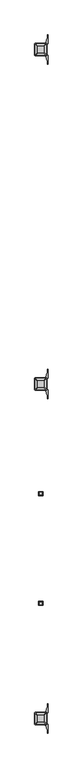
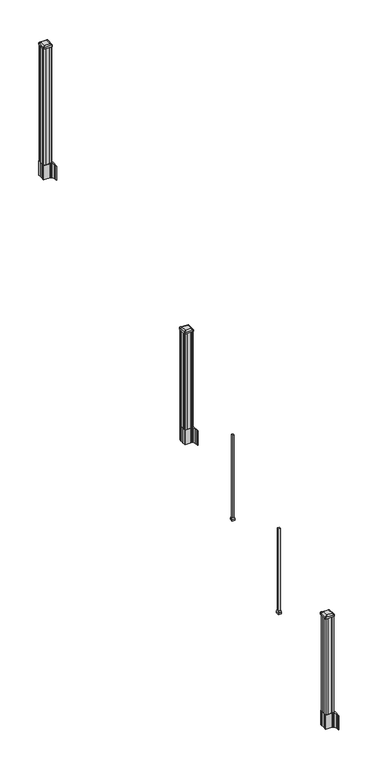
"""IFC4 building model written with IfcOpenShell, lengths in millimetres: railing geometry."""

from ifc_helpers import new_model, si_unit, point, frame, frame_2d, origin, place, context, project, spatial, polyline, circle_curve, trimmed, segment, composite_curve, outline, extrude, faceted_brep, source, transform, mapped, element, save
from ifc_brep_helpers import plane_surface, extruded_surface, advanced_brep


def railing_96fefc47(model_context):
    return source(origin(), model_context, "Body", "SolidModel", [
        extrude(outline(composite_curve([segment(polyline([(7269.3302728, -100734.6489401), (7269.3302728, -100699.8767504), (7267.7427728, -100699.1147504), (7267.7427728, -100676.3128224), (7271.1157498, -100672.9398453), (7332.5754206, -100672.9398453), (7332.5754206, -100672.0190953), (7337.8929645, -100672.0190953), (7337.8929645, -100670.5648406), (7342.9774942, -100670.5648406), (7342.9774942, -100669.2808168), (7344.6447665, -100669.2808168)]), True, "CONTINUOUS"), segment(trimmed(circle_curve(frame_2d((7344.6447665, -100662.2213569)), 7.0594599), [point((7344.6447665, -100669.2808168))], [point((7351.4120293, -100664.2313636))], True, "CARTESIAN"), True, "CONTINUOUS"), segment(polyline([(7351.4120293, -100664.2313636), (7359.2862236, -100637.7206345)]), True, "CONTINUOUS"), segment(trimmed(circle_curve(frame_2d((7304.5017103, -100621.4485848)), 57.15), [point((7359.2862236, -100637.7206345))], [point((7361.6517103, -100621.4485848))], True, "CARTESIAN"), True, "CONTINUOUS"), segment(polyline([(7361.6517103, -100621.4485848), (7361.6517103, -100609.4398453), (7364.6517103, -100609.4398453), (7364.6517103, -100674.5273453), (7356.3887728, -100685.8656366), (7356.3887728, -100699.1147504), (7354.8012728, -100699.8767504), (7354.8012728, -100734.6489401), (7356.3887728, -100735.4109401), (7356.3887728, -100748.660054), (7364.6517103, -100759.9983453), (7364.6517103, -100825.0858453), (7361.6517103, -100825.0858453), (7361.6517103, -100813.0771057)]), True, "CONTINUOUS"), segment(trimmed(circle_curve(frame_2d((7304.5017103, -100813.0771057)), 57.15), [point((7361.6517103, -100813.0771057))], [point((7359.2862236, -100796.8050561))], True, "CARTESIAN"), True, "CONTINUOUS"), segment(polyline([(7359.2862236, -100796.8050561), (7351.4120293, -100770.294327)]), True, "CONTINUOUS"), segment(trimmed(circle_curve(frame_2d((7344.6447665, -100772.3043337)), 7.0594599), [point((7351.4120293, -100770.294327))], [point((7344.6447665, -100765.2448738))], True, "CARTESIAN"), True, "CONTINUOUS"), segment(polyline([(7344.6447665, -100765.2448738), (7342.9774942, -100765.2448738), (7342.9774942, -100763.96085), (7337.8929645, -100763.96085), (7337.8929645, -100762.5065953), (7332.5754206, -100762.5065953), (7332.5754206, -100761.5858453), (7271.1157498, -100761.5858453), (7267.7427728, -100758.2128682), (7267.7427728, -100735.4109401), (7269.3302728, -100734.6489401)]), True, "CONTINUOUS")], self_intersect=False), holes=[polyline([(7353.3407728, -100677.5753453), (7351.7532728, -100675.9878453), (7314.8289902, -100675.9878453), (7272.3782728, -100675.9878453), (7270.7907728, -100677.5753453), (7270.7907728, -100756.9503453), (7272.3782728, -100758.5378453), (7314.8289902, -100758.5378453), (7351.7532728, -100758.5378453), (7353.3407728, -100756.9503453), (7353.3407728, -100677.5753453)])]), frame((0.0, 0.0, 1562.1), z_axis=(0.0, 0.0, 1.0), x_axis=(1.0, 0.0, 0.0)), (0.0, 0.0, 1.0), 152.4),
        advanced_brep(
        [(7337.8626478, -100746.2347203, 2774.439263), (7341.0376478, -100743.0597203, 2774.439263), (7341.0376478, -100691.4659703, 2774.439263), (7337.8626478, -100688.2909703, 2774.439263), (7286.2688978, -100688.2909703, 2774.439263), (7283.0938978, -100691.4659703, 2774.439263), (7283.0938978, -100743.0597203, 2774.439263), (7286.2688978, -100746.2347203, 2774.439263), (7354.1345228, -100762.5065953, 2763.136263), (7269.9970228, -100762.5065953, 2763.136263), (7266.8220228, -100759.3315953, 2763.136263), (7266.8220228, -100675.1940953, 2763.136263), (7269.9970228, -100672.0190953, 2763.136263), (7354.1345228, -100672.0190953, 2763.136263), (7357.3095228, -100675.1940953, 2763.136263), (7357.3095228, -100759.3315953, 2763.136263)],
        [
            (0, 1, circle_curve(frame((7337.8626478, -100743.0597203, 2774.439263), z_axis=(0.0, 0.0, 1.0), x_axis=(0.0, 1.0, 0.0)), 3.175)),
            (1, 2),
            (2, 3, circle_curve(frame((7337.8626478, -100691.4659703, 2774.439263), z_axis=(0.0, 0.0, 1.0), x_axis=(0.0, 1.0, 0.0)), 3.175)),
            (3, 4),
            (4, 5, circle_curve(frame((7286.2688978, -100691.4659703, 2774.439263), z_axis=(0.0, 0.0, 1.0), x_axis=(0.0, 1.0, 0.0)), 3.175)),
            (5, 6),
            (6, 7, circle_curve(frame((7286.2688978, -100743.0597203, 2774.439263), z_axis=(0.0, 0.0, 1.0), x_axis=(0.0, 1.0, 0.0)), 3.175)),
            (7, 0),
            (8, 9),
            (9, 10, circle_curve(frame((7269.9970228, -100759.3315953, 2763.136263), z_axis=(0.0, 0.0, -1.0), x_axis=(0.0, 1.0, 0.0)), 3.175)),
            (10, 11),
            (11, 12, circle_curve(frame((7269.9970228, -100675.1940953, 2763.136263), z_axis=(0.0, 0.0, -1.0), x_axis=(0.0, 1.0, 0.0)), 3.175)),
            (12, 13),
            (13, 14, circle_curve(frame((7354.1345228, -100675.1940953, 2763.136263), z_axis=(0.0, 0.0, -1.0), x_axis=(0.0, 1.0, 0.0)), 3.175)),
            (14, 15),
            (15, 8, circle_curve(frame((7354.1345228, -100759.3315953, 2763.136263), z_axis=(0.0, 0.0, -1.0), x_axis=(0.0, 1.0, 0.0)), 3.175)),
            (15, 1),
            (0, 8),
            (14, 2),
            (13, 3),
            (12, 4),
            (11, 5),
            (10, 6),
            (9, 7),
        ],
        [
            plane_surface(frame((7312.0657728, -100717.2628453, 2774.439263), z_axis=(0.0, 0.0, 1.0), x_axis=(1.0, 0.0, 0.0))),
            plane_surface(frame((7312.0657728, -100717.2628453, 2763.136263), z_axis=(0.0, 0.0, -1.0), x_axis=(1.0, 0.0, 0.0))),
            extruded_surface(trimmed(circle_curve(frame((7354.1345228, -100759.3315953, 2763.136263), z_axis=(0.0, 0.0, 1.0), x_axis=(0.0, 1.0, 0.0)), 3.175), [point((7354.1345228, -100762.5065953, 2763.136263))], [point((7357.3095228, -100759.3315953, 2763.136263))], True, "CARTESIAN"), (-16.271875000000364, 16.27187499999127, 11.303000000000338), 25.637972638861),
            plane_surface(frame((7357.3095228, -100717.2628453, 2763.136263), z_axis=(0.5705009161540778, 0.0, 0.8212969649690408), x_axis=(0.0, 1.0, 0.0))),
            extruded_surface(trimmed(circle_curve(frame((7354.1345228, -100675.1940953, 2763.136263), z_axis=(0.0, 0.0, 1.0), x_axis=(0.0, 1.0, 0.0)), 3.175), [point((7357.3095228, -100675.1940953, 2763.136263))], [point((7354.1345228, -100672.0190953, 2763.136263))], True, "CARTESIAN"), (-16.271875000000364, -16.27187500000582, 11.303000000000338), 25.637972638870238),
            plane_surface(frame((7312.0657728, -100672.0190953, 2763.136263), z_axis=(0.0, 0.5705009161540291, 0.8212969649690747), x_axis=(-1.0, 0.0, 0.0))),
            extruded_surface(trimmed(circle_curve(frame((7269.9970228, -100675.1940953, 2763.136263), z_axis=(0.0, 0.0, 1.0), x_axis=(0.0, 1.0, 0.0)), 3.175), [point((7269.9970228, -100672.0190953, 2763.136263))], [point((7266.8220228, -100675.1940953, 2763.136263))], True, "CARTESIAN"), (16.271874999999454, -16.27187500000582, 11.303000000000338), 25.63797263886966),
            plane_surface(frame((7266.8220228, -100717.2628453, 2763.136263), z_axis=(-0.5705009161540142, 0.0, 0.8212969649690851), x_axis=(0.0, -1.0, 0.0))),
            extruded_surface(trimmed(circle_curve(frame((7269.9970228, -100759.3315953, 2763.136263), z_axis=(0.0, 0.0, 1.0), x_axis=(0.0, 1.0, 0.0)), 3.175), [point((7266.8220228, -100759.3315953, 2763.136263))], [point((7269.9970228, -100762.5065953, 2763.136263))], True, "CARTESIAN"), (16.271874999999454, 16.27187499999127, 11.303000000000338), 25.637972638860422),
            plane_surface(frame((7312.0657728, -100762.5065953, 2763.136263), z_axis=(0.0, -0.570500916154034, 0.8212969649690713), x_axis=(1.0, 0.0, 0.0))),
        ],
        [
            (0, [[1, 2, 3, 4, 5, 6, 7, 8]]),
            (1, [[9, 10, 11, 12, 13, 14, 15, 16]]),
            (2, [[-16, 17, -1, 18]]),
            (3, [[-15, 19, -2, -17]]),
            (4, [[-14, 20, -3, -19]]),
            (5, [[-13, 21, -4, -20]]),
            (6, [[-12, 22, -5, -21]]),
            (7, [[-11, 23, -6, -22]]),
            (8, [[-10, 24, -7, -23]]),
            (9, [[-9, -18, -8, -24]]),
        ],
    ),
        extrude(outline(composite_curve([segment(polyline([(7354.1345228, -100762.5065953), (7269.9970228, -100762.5065953)]), True, "CONTINUOUS"), segment(trimmed(circle_curve(frame_2d((7269.9970228, -100759.3315953)), 3.175), [point((7269.9970228, -100762.5065953))], [point((7266.8220228, -100759.3315953))], False, "CARTESIAN"), True, "CONTINUOUS"), segment(polyline([(7266.8220228, -100759.3315953), (7266.8220228, -100675.1940953)]), True, "CONTINUOUS"), segment(trimmed(circle_curve(frame_2d((7269.9970228, -100675.1940953)), 3.175), [point((7266.8220228, -100675.1940953))], [point((7269.9970228, -100672.0190953))], False, "CARTESIAN"), True, "CONTINUOUS"), segment(polyline([(7269.9970228, -100672.0190953), (7354.1345228, -100672.0190953)]), True, "CONTINUOUS"), segment(trimmed(circle_curve(frame_2d((7354.1345228, -100675.1940953)), 3.175), [point((7354.1345228, -100672.0190953))], [point((7357.3095228, -100675.1940953))], False, "CARTESIAN"), True, "CONTINUOUS"), segment(polyline([(7357.3095228, -100675.1940953), (7357.3095228, -100759.3315953)]), True, "CONTINUOUS"), segment(trimmed(circle_curve(frame_2d((7354.1345228, -100759.3315953)), 3.175), [point((7357.3095228, -100759.3315953))], [point((7354.1345228, -100762.5065953))], False, "CARTESIAN"), True, "CONTINUOUS")], self_intersect=False)), frame((0.0, 0.0, 2745.864263), z_axis=(0.0, 0.0, 1.0), x_axis=(1.0, 0.0, 0.0)), (0.0, 0.0, 1.0), 17.272),
        extrude(outline(polyline([(7351.7532728, -100758.5378453), (7332.1317728, -100758.5378453), (7331.3697728, -100756.9503453), (7292.7617728, -100756.9503453), (7291.9997728, -100758.5378453), (7272.3782728, -100758.5378453), (7270.7907728, -100756.9503453), (7270.7907728, -100737.3288453), (7272.3782728, -100736.5668453), (7272.3782728, -100697.9588453), (7270.7907728, -100697.1968453), (7270.7907728, -100677.5753453), (7272.3782728, -100675.9878453), (7291.9997728, -100675.9878453), (7292.7617728, -100677.5753453), (7331.3697728, -100677.5753453), (7332.1317728, -100675.9878453), (7351.7532728, -100675.9878453), (7353.3407728, -100677.5753453), (7353.3407728, -100697.1968453), (7351.7532728, -100697.9588453), (7351.7532728, -100736.5668453), (7353.3407728, -100737.3288453), (7353.3407728, -100756.9503453), (7351.7532728, -100758.5378453)])), frame((0.0, 0.0, 1714.5), z_axis=(0.0, 0.0, 1.0), x_axis=(1.0, 0.0, 0.0)), (0.0, 0.0, 1.0), 1031.364263),
        faceted_brep([(7299.3657728, -101542.7628453, 1238.6497081), (7324.7657728, -101542.7628453, 1238.6497081), (7324.7657728, -101517.3628453, 1238.6497081), (7299.3657728, -101517.3628453, 1238.6497081), (7296.1907728, -101545.9378453, 1222.7747081), (7296.1907728, -101514.1878453, 1222.7747081), (7327.9407728, -101514.1878453, 1222.7747081), (7327.9407728, -101545.9378453, 1222.7747081)], [[[0, 1, 2, 3]], [[4, 5, 6, 7]], [[4, 7, 1, 0]], [[7, 6, 2, 1]], [[6, 5, 3, 2]], [[5, 4, 0, 3]]]),
        extrude(outline(polyline([(7296.1907728, -101545.9378453), (7296.1907728, -101514.1878453), (7327.9407728, -101514.1878453), (7327.9407728, -101545.9378453), (7296.1907728, -101545.9378453)])), frame((0.0, 0.0, 1206.5), z_axis=(0.0, 0.0, 1.0), x_axis=(1.0, 0.0, 0.0)), (0.0, 0.0, 1.0), 16.2747081),
        extrude(outline(polyline([(7302.5407728, -101539.5878453), (7302.5407728, -101520.5378453), (7321.5907728, -101520.5378453), (7321.5907728, -101539.5878453), (7302.5407728, -101539.5878453)])), frame((0.0, 0.0, 1206.5), z_axis=(0.0, 0.0, 1.0), x_axis=(1.0, 0.0, 0.0)), (0.0, 0.0, 1.0), 914.4),
        faceted_brep([(7299.3657728, -102355.5628453, 730.6497081), (7324.7657728, -102355.5628453, 730.6497081), (7324.7657728, -102330.1628453, 730.6497081), (7299.3657728, -102330.1628453, 730.6497081), (7296.1907728, -102358.7378453, 714.7747081), (7296.1907728, -102326.9878453, 714.7747081), (7327.9407728, -102326.9878453, 714.7747081), (7327.9407728, -102358.7378453, 714.7747081)], [[[0, 1, 2, 3]], [[4, 5, 6, 7]], [[4, 7, 1, 0]], [[7, 6, 2, 1]], [[6, 5, 3, 2]], [[5, 4, 0, 3]]]),
        extrude(outline(polyline([(7296.1907728, -102358.7378453), (7296.1907728, -102326.9878453), (7327.9407728, -102326.9878453), (7327.9407728, -102358.7378453), (7296.1907728, -102358.7378453)])), frame((0.0, 0.0, 698.5), z_axis=(0.0, 0.0, 1.0), x_axis=(1.0, 0.0, 0.0)), (0.0, 0.0, 1.0), 16.2747081),
        extrude(outline(polyline([(7302.5407728, -102352.3878453), (7302.5407728, -102333.3378453), (7321.5907728, -102333.3378453), (7321.5907728, -102352.3878453), (7302.5407728, -102352.3878453)])), frame((0.0, 0.0, 698.5), z_axis=(0.0, 0.0, 1.0), x_axis=(1.0, 0.0, 0.0)), (0.0, 0.0, 1.0), 914.4),
        extrude(outline(polyline([(7351.7532728, -98278.7358453), (7332.1317728, -98278.7358453), (7331.3697728, -98277.1483453), (7292.7617728, -98277.1483453), (7291.9997728, -98278.7358453), (7272.3782728, -98278.7358453), (7270.7907728, -98277.1483453), (7270.7907728, -98257.5268453), (7272.3782728, -98256.7648453), (7272.3782728, -98218.1568453), (7270.7907728, -98217.3948453), (7270.7907728, -98197.7733453), (7272.3782728, -98196.1858453), (7291.9997728, -98196.1858453), (7292.7617728, -98197.7733453), (7331.3697728, -98197.7733453), (7332.1317728, -98196.1858453), (7351.7532728, -98196.1858453), (7353.3407728, -98197.7733453), (7353.3407728, -98217.3948453), (7351.7532728, -98218.1568453), (7351.7532728, -98256.7648453), (7353.3407728, -98257.5268453), (7353.3407728, -98277.1483453), (7351.7532728, -98278.7358453)])), frame((0.0, 0.0, 3048.0), z_axis=(0.0, 0.0, 1.0), x_axis=(1.0, 0.0, 0.0)), (0.0, 0.0, 1.0), 1247.740513),
        extrude(outline(composite_curve([segment(polyline([(7269.3302728, -98254.8469401), (7269.3302728, -98220.0747504), (7267.7427728, -98219.3127504), (7267.7427728, -98196.5108224), (7271.1157498, -98193.1378453), (7332.5754206, -98193.1378453), (7332.5754206, -98192.2170953), (7337.8929645, -98192.2170953), (7337.8929645, -98190.7628406), (7342.9774942, -98190.7628406), (7342.9774942, -98189.4788168), (7344.6447665, -98189.4788168)]), True, "CONTINUOUS"), segment(trimmed(circle_curve(frame_2d((7344.6447665, -98182.4193569)), 7.0594599), [point((7344.6447665, -98189.4788168))], [point((7351.4120293, -98184.4293636))], True, "CARTESIAN"), True, "CONTINUOUS"), segment(polyline([(7351.4120293, -98184.4293636), (7359.2862236, -98157.9186345)]), True, "CONTINUOUS"), segment(trimmed(circle_curve(frame_2d((7304.5017103, -98141.6465848)), 57.15), [point((7359.2862236, -98157.9186345))], [point((7361.6517103, -98141.6465848))], True, "CARTESIAN"), True, "CONTINUOUS"), segment(polyline([(7361.6517103, -98141.6465848), (7361.6517103, -98129.6378453), (7364.6517103, -98129.6378453), (7364.6517103, -98194.7253453), (7356.3887728, -98206.0636366), (7356.3887728, -98219.3127504), (7354.8012728, -98220.0747504), (7354.8012728, -98254.8469401), (7356.3887728, -98255.6089401), (7356.3887728, -98268.858054), (7364.6517103, -98280.1963453), (7364.6517103, -98345.2838453), (7361.6517103, -98345.2838453), (7361.6517103, -98333.2751057)]), True, "CONTINUOUS"), segment(trimmed(circle_curve(frame_2d((7304.5017103, -98333.2751057)), 57.15), [point((7361.6517103, -98333.2751057))], [point((7359.2862236, -98317.0030561))], True, "CARTESIAN"), True, "CONTINUOUS"), segment(polyline([(7359.2862236, -98317.0030561), (7351.4120293, -98290.492327)]), True, "CONTINUOUS"), segment(trimmed(circle_curve(frame_2d((7344.6447665, -98292.5023337)), 7.0594599), [point((7351.4120293, -98290.492327))], [point((7344.6447665, -98285.4428738))], True, "CARTESIAN"), True, "CONTINUOUS"), segment(polyline([(7344.6447665, -98285.4428738), (7342.9774942, -98285.4428738), (7342.9774942, -98284.15885), (7337.8929645, -98284.15885), (7337.8929645, -98282.7045953), (7332.5754206, -98282.7045953), (7332.5754206, -98281.7838453), (7271.1157498, -98281.7838453), (7267.7427728, -98278.4108682), (7267.7427728, -98255.6089401), (7269.3302728, -98254.8469401)]), True, "CONTINUOUS")], self_intersect=False), holes=[polyline([(7353.3407728, -98197.7733453), (7351.7532728, -98196.1858453), (7314.8289902, -98196.1858453), (7272.3782728, -98196.1858453), (7270.7907728, -98197.7733453), (7270.7907728, -98277.1483453), (7272.3782728, -98278.7358453), (7314.8289902, -98278.7358453), (7351.7532728, -98278.7358453), (7353.3407728, -98277.1483453), (7353.3407728, -98197.7733453)])]), frame((0.0, 0.0, 2895.6), z_axis=(0.0, 0.0, 1.0), x_axis=(1.0, 0.0, 0.0)), (0.0, 0.0, 1.0), 152.4),
        advanced_brep(
        [(7337.8626478, -98266.4327203, 4324.315513), (7341.0376478, -98263.2577203, 4324.315513), (7341.0376478, -98211.6639703, 4324.315513), (7337.8626478, -98208.4889703, 4324.315513), (7286.2688978, -98208.4889703, 4324.315513), (7283.0938978, -98211.6639703, 4324.315513), (7283.0938978, -98263.2577203, 4324.315513), (7286.2688978, -98266.4327203, 4324.315513), (7354.1345228, -98282.7045953, 4313.012513), (7269.9970228, -98282.7045953, 4313.012513), (7266.8220228, -98279.5295953, 4313.012513), (7266.8220228, -98195.3920953, 4313.012513), (7269.9970228, -98192.2170953, 4313.012513), (7354.1345228, -98192.2170953, 4313.012513), (7357.3095228, -98195.3920953, 4313.012513), (7357.3095228, -98279.5295953, 4313.012513)],
        [
            (0, 1, circle_curve(frame((7337.8626478, -98263.2577203, 4324.315513), z_axis=(0.0, 0.0, 1.0), x_axis=(0.0, 1.0, 0.0)), 3.175)),
            (1, 2),
            (2, 3, circle_curve(frame((7337.8626478, -98211.6639703, 4324.315513), z_axis=(0.0, 0.0, 1.0), x_axis=(0.0, 1.0, 0.0)), 3.175)),
            (3, 4),
            (4, 5, circle_curve(frame((7286.2688978, -98211.6639703, 4324.315513), z_axis=(0.0, 0.0, 1.0), x_axis=(0.0, 1.0, 0.0)), 3.175)),
            (5, 6),
            (6, 7, circle_curve(frame((7286.2688978, -98263.2577203, 4324.315513), z_axis=(0.0, 0.0, 1.0), x_axis=(0.0, 1.0, 0.0)), 3.175)),
            (7, 0),
            (8, 9),
            (9, 10, circle_curve(frame((7269.9970228, -98279.5295953, 4313.012513), z_axis=(0.0, 0.0, -1.0), x_axis=(0.0, 1.0, 0.0)), 3.175)),
            (10, 11),
            (11, 12, circle_curve(frame((7269.9970228, -98195.3920953, 4313.012513), z_axis=(0.0, 0.0, -1.0), x_axis=(0.0, 1.0, 0.0)), 3.175)),
            (12, 13),
            (13, 14, circle_curve(frame((7354.1345228, -98195.3920953, 4313.012513), z_axis=(0.0, 0.0, -1.0), x_axis=(0.0, 1.0, 0.0)), 3.175)),
            (14, 15),
            (15, 8, circle_curve(frame((7354.1345228, -98279.5295953, 4313.012513), z_axis=(0.0, 0.0, -1.0), x_axis=(0.0, 1.0, 0.0)), 3.175)),
            (15, 1),
            (0, 8),
            (14, 2),
            (13, 3),
            (12, 4),
            (11, 5),
            (10, 6),
            (9, 7),
        ],
        [
            plane_surface(frame((7312.0657728, -98237.4608453, 4324.315513), z_axis=(0.0, 0.0, 1.0), x_axis=(1.0, 0.0, 0.0))),
            plane_surface(frame((7312.0657728, -98237.4608453, 4313.012513), z_axis=(0.0, 0.0, -1.0), x_axis=(1.0, 0.0, 0.0))),
            extruded_surface(trimmed(circle_curve(frame((7354.1345228, -98279.5295953, 4313.012513), z_axis=(0.0, 0.0, 1.0), x_axis=(0.0, 1.0, 0.0)), 3.175), [point((7354.1345228, -98282.7045953, 4313.012513))], [point((7357.3095228, -98279.5295953, 4313.012513))], True, "CARTESIAN"), (-16.271875000000364, 16.27187500000582, 11.302999999999884), 25.637972638870036),
            plane_surface(frame((7357.3095228, -98237.4608453, 4313.012513), z_axis=(0.5705009161540687, 0.0, 0.8212969649690472), x_axis=(0.0, 1.0, 0.0))),
            extruded_surface(trimmed(circle_curve(frame((7354.1345228, -98195.3920953, 4313.012513), z_axis=(0.0, 0.0, 1.0), x_axis=(0.0, 1.0, 0.0)), 3.175), [point((7357.3095228, -98195.3920953, 4313.012513))], [point((7354.1345228, -98192.2170953, 4313.012513))], True, "CARTESIAN"), (-16.271875000000364, -16.27187499999127, 11.302999999999884), 25.637972638860802),
            plane_surface(frame((7312.0657728, -98192.2170953, 4313.012513), z_axis=(0.0, 0.5705009161540291, 0.8212969649690747), x_axis=(-1.0, 0.0, 0.0))),
            extruded_surface(trimmed(circle_curve(frame((7269.9970228, -98195.3920953, 4313.012513), z_axis=(0.0, 0.0, 1.0), x_axis=(0.0, 1.0, 0.0)), 3.175), [point((7269.9970228, -98192.2170953, 4313.012513))], [point((7266.8220228, -98195.3920953, 4313.012513))], True, "CARTESIAN"), (16.271874999999454, -16.27187499999127, 11.302999999999884), 25.637972638860223),
            plane_surface(frame((7266.8220228, -98237.4608453, 4313.012513), z_axis=(-0.5705009161540233, 0.0, 0.8212969649690787), x_axis=(0.0, -1.0, 0.0))),
            extruded_surface(trimmed(circle_curve(frame((7269.9970228, -98279.5295953, 4313.012513), z_axis=(0.0, 0.0, 1.0), x_axis=(0.0, 1.0, 0.0)), 3.175), [point((7266.8220228, -98279.5295953, 4313.012513))], [point((7269.9970228, -98282.7045953, 4313.012513))], True, "CARTESIAN"), (16.271874999999454, 16.27187500000582, 11.302999999999884), 25.63797263886946),
            plane_surface(frame((7312.0657728, -98282.7045953, 4313.012513), z_axis=(0.0, -0.570500916154034, 0.8212969649690713), x_axis=(1.0, 0.0, 0.0))),
        ],
        [
            (0, [[1, 2, 3, 4, 5, 6, 7, 8]]),
            (1, [[9, 10, 11, 12, 13, 14, 15, 16]]),
            (2, [[-16, 17, -1, 18]]),
            (3, [[-15, 19, -2, -17]]),
            (4, [[-14, 20, -3, -19]]),
            (5, [[-13, 21, -4, -20]]),
            (6, [[-12, 22, -5, -21]]),
            (7, [[-11, 23, -6, -22]]),
            (8, [[-10, 24, -7, -23]]),
            (9, [[-9, -18, -8, -24]]),
        ],
    ),
        extrude(outline(composite_curve([segment(polyline([(7354.1345228, -98282.7045953), (7269.9970228, -98282.7045953)]), True, "CONTINUOUS"), segment(trimmed(circle_curve(frame_2d((7269.9970228, -98279.5295953)), 3.175), [point((7269.9970228, -98282.7045953))], [point((7266.8220228, -98279.5295953))], False, "CARTESIAN"), True, "CONTINUOUS"), segment(polyline([(7266.8220228, -98279.5295953), (7266.8220228, -98195.3920953)]), True, "CONTINUOUS"), segment(trimmed(circle_curve(frame_2d((7269.9970228, -98195.3920953)), 3.175), [point((7266.8220228, -98195.3920953))], [point((7269.9970228, -98192.2170953))], False, "CARTESIAN"), True, "CONTINUOUS"), segment(polyline([(7269.9970228, -98192.2170953), (7354.1345228, -98192.2170953)]), True, "CONTINUOUS"), segment(trimmed(circle_curve(frame_2d((7354.1345228, -98195.3920953)), 3.175), [point((7354.1345228, -98192.2170953))], [point((7357.3095228, -98195.3920953))], False, "CARTESIAN"), True, "CONTINUOUS"), segment(polyline([(7357.3095228, -98195.3920953), (7357.3095228, -98279.5295953)]), True, "CONTINUOUS"), segment(trimmed(circle_curve(frame_2d((7354.1345228, -98279.5295953)), 3.175), [point((7357.3095228, -98279.5295953))], [point((7354.1345228, -98282.7045953))], False, "CARTESIAN"), True, "CONTINUOUS")], self_intersect=False)), frame((0.0, 0.0, 4295.740513), z_axis=(0.0, 0.0, 1.0), x_axis=(1.0, 0.0, 0.0)), (0.0, 0.0, 1.0), 17.272),
        extrude(outline(composite_curve([segment(polyline([(7269.3302728, -103214.4509401), (7269.3302728, -103179.6787504), (7267.7427728, -103178.9167504), (7267.7427728, -103156.1148224), (7271.1157498, -103152.7418453), (7332.5754206, -103152.7418453), (7332.5754206, -103151.8210953), (7337.8929645, -103151.8210953), (7337.8929645, -103150.3668406), (7342.9774942, -103150.3668406), (7342.9774942, -103149.0828168), (7344.6447665, -103149.0828168)]), True, "CONTINUOUS"), segment(trimmed(circle_curve(frame_2d((7344.6447665, -103142.0233569)), 7.0594599), [point((7344.6447665, -103149.0828168))], [point((7351.4120293, -103144.0333636))], True, "CARTESIAN"), True, "CONTINUOUS"), segment(polyline([(7351.4120293, -103144.0333636), (7359.2862236, -103117.5226345)]), True, "CONTINUOUS"), segment(trimmed(circle_curve(frame_2d((7304.5017103, -103101.2505848)), 57.15), [point((7359.2862236, -103117.5226345))], [point((7361.6517103, -103101.2505848))], True, "CARTESIAN"), True, "CONTINUOUS"), segment(polyline([(7361.6517103, -103101.2505848), (7361.6517103, -103089.2418453), (7364.6517103, -103089.2418453), (7364.6517103, -103154.3293453), (7356.3887728, -103165.6676366), (7356.3887728, -103178.9167504), (7354.8012728, -103179.6787504), (7354.8012728, -103214.4509401), (7356.3887728, -103215.2129401), (7356.3887728, -103228.462054), (7364.6517103, -103239.8003453), (7364.6517103, -103304.8878453), (7361.6517103, -103304.8878453), (7361.6517103, -103292.8791057)]), True, "CONTINUOUS"), segment(trimmed(circle_curve(frame_2d((7304.5017103, -103292.8791057)), 57.15), [point((7361.6517103, -103292.8791057))], [point((7359.2862236, -103276.6070561))], True, "CARTESIAN"), True, "CONTINUOUS"), segment(polyline([(7359.2862236, -103276.6070561), (7351.4120293, -103250.096327)]), True, "CONTINUOUS"), segment(trimmed(circle_curve(frame_2d((7344.6447665, -103252.1063337)), 7.0594599), [point((7351.4120293, -103250.096327))], [point((7344.6447665, -103245.0468738))], True, "CARTESIAN"), True, "CONTINUOUS"), segment(polyline([(7344.6447665, -103245.0468738), (7342.9774942, -103245.0468738), (7342.9774942, -103243.76285), (7337.8929645, -103243.76285), (7337.8929645, -103242.3085953), (7332.5754206, -103242.3085953), (7332.5754206, -103241.3878453), (7271.1157498, -103241.3878453), (7267.7427728, -103238.0148682), (7267.7427728, -103215.2129401), (7269.3302728, -103214.4509401)]), True, "CONTINUOUS")], self_intersect=False), holes=[polyline([(7353.3407728, -103157.3773453), (7351.7532728, -103155.7898453), (7314.8289902, -103155.7898453), (7272.3782728, -103155.7898453), (7270.7907728, -103157.3773453), (7270.7907728, -103236.7523453), (7272.3782728, -103238.3398453), (7314.8289902, -103238.3398453), (7351.7532728, -103238.3398453), (7353.3407728, -103236.7523453), (7353.3407728, -103157.3773453)])]), frame((0.0, 0.0, 12.22375), z_axis=(0.0, 0.0, 1.0), x_axis=(1.0, 0.0, 0.0)), (0.0, 0.0, 1.0), 152.4),
        advanced_brep(
        [(7337.8626478, -103226.0367203, 1224.563013), (7341.0376478, -103222.8617203, 1224.563013), (7341.0376478, -103171.2679703, 1224.563013), (7337.8626478, -103168.0929703, 1224.563013), (7286.2688978, -103168.0929703, 1224.563013), (7283.0938978, -103171.2679703, 1224.563013), (7283.0938978, -103222.8617203, 1224.563013), (7286.2688978, -103226.0367203, 1224.563013), (7354.1345228, -103242.3085953, 1213.260013), (7269.9970228, -103242.3085953, 1213.260013), (7266.8220228, -103239.1335953, 1213.260013), (7266.8220228, -103154.9960953, 1213.260013), (7269.9970228, -103151.8210953, 1213.260013), (7354.1345228, -103151.8210953, 1213.260013), (7357.3095228, -103154.9960953, 1213.260013), (7357.3095228, -103239.1335953, 1213.260013)],
        [
            (0, 1, circle_curve(frame((7337.8626478, -103222.8617203, 1224.563013), z_axis=(0.0, 0.0, 1.0), x_axis=(0.0, 1.0, 0.0)), 3.175)),
            (1, 2),
            (2, 3, circle_curve(frame((7337.8626478, -103171.2679703, 1224.563013), z_axis=(0.0, 0.0, 1.0), x_axis=(0.0, 1.0, 0.0)), 3.175)),
            (3, 4),
            (4, 5, circle_curve(frame((7286.2688978, -103171.2679703, 1224.563013), z_axis=(0.0, 0.0, 1.0), x_axis=(0.0, 1.0, 0.0)), 3.175)),
            (5, 6),
            (6, 7, circle_curve(frame((7286.2688978, -103222.8617203, 1224.563013), z_axis=(0.0, 0.0, 1.0), x_axis=(0.0, 1.0, 0.0)), 3.175)),
            (7, 0),
            (8, 9),
            (9, 10, circle_curve(frame((7269.9970228, -103239.1335953, 1213.260013), z_axis=(0.0, 0.0, -1.0), x_axis=(0.0, 1.0, 0.0)), 3.175)),
            (10, 11),
            (11, 12, circle_curve(frame((7269.9970228, -103154.9960953, 1213.260013), z_axis=(0.0, 0.0, -1.0), x_axis=(0.0, 1.0, 0.0)), 3.175)),
            (12, 13),
            (13, 14, circle_curve(frame((7354.1345228, -103154.9960953, 1213.260013), z_axis=(0.0, 0.0, -1.0), x_axis=(0.0, 1.0, 0.0)), 3.175)),
            (14, 15),
            (15, 8, circle_curve(frame((7354.1345228, -103239.1335953, 1213.260013), z_axis=(0.0, 0.0, -1.0), x_axis=(0.0, 1.0, 0.0)), 3.175)),
            (15, 1),
            (0, 8),
            (14, 2),
            (13, 3),
            (12, 4),
            (11, 5),
            (10, 6),
            (9, 7),
        ],
        [
            plane_surface(frame((7312.0657728, -103197.0648453, 1224.563013), z_axis=(0.0, 0.0, 1.0), x_axis=(1.0, 0.0, 0.0))),
            plane_surface(frame((7312.0657728, -103197.0648453, 1213.260013), z_axis=(0.0, 0.0, -1.0), x_axis=(1.0, 0.0, 0.0))),
            extruded_surface(trimmed(circle_curve(frame((7354.1345228, -103239.1335953, 1213.260013), z_axis=(0.0, 0.0, 1.0), x_axis=(0.0, 1.0, 0.0)), 3.175), [point((7354.1345228, -103242.3085953, 1213.260013))], [point((7357.3095228, -103239.1335953, 1213.260013))], True, "CARTESIAN"), (-16.271875000000364, 16.27187499999127, 11.302999999999884), 25.637972638860802),
            plane_surface(frame((7357.3095228, -103197.0648453, 1213.260013), z_axis=(0.5705009161540778, 0.0, 0.8212969649690408), x_axis=(0.0, 1.0, 0.0))),
            extruded_surface(trimmed(circle_curve(frame((7354.1345228, -103154.9960953, 1213.260013), z_axis=(0.0, 0.0, 1.0), x_axis=(0.0, 1.0, 0.0)), 3.175), [point((7357.3095228, -103154.9960953, 1213.260013))], [point((7354.1345228, -103151.8210953, 1213.260013))], True, "CARTESIAN"), (-16.271875000000364, -16.27187500000582, 11.302999999999884), 25.637972638870036),
            plane_surface(frame((7312.0657728, -103151.8210953, 1213.260013), z_axis=(0.0, 0.5705009161540291, 0.8212969649690747), x_axis=(-1.0, 0.0, 0.0))),
            extruded_surface(trimmed(circle_curve(frame((7269.9970228, -103154.9960953, 1213.260013), z_axis=(0.0, 0.0, 1.0), x_axis=(0.0, 1.0, 0.0)), 3.175), [point((7269.9970228, -103151.8210953, 1213.260013))], [point((7266.8220228, -103154.9960953, 1213.260013))], True, "CARTESIAN"), (16.271874999999454, -16.27187500000582, 11.302999999999884), 25.63797263886946),
            plane_surface(frame((7266.8220228, -103197.0648453, 1213.260013), z_axis=(-0.5705009161540142, 0.0, 0.8212969649690851), x_axis=(0.0, -1.0, 0.0))),
            extruded_surface(trimmed(circle_curve(frame((7269.9970228, -103239.1335953, 1213.260013), z_axis=(0.0, 0.0, 1.0), x_axis=(0.0, 1.0, 0.0)), 3.175), [point((7266.8220228, -103239.1335953, 1213.260013))], [point((7269.9970228, -103242.3085953, 1213.260013))], True, "CARTESIAN"), (16.271874999999454, 16.27187499999127, 11.302999999999884), 25.637972638860223),
            plane_surface(frame((7312.0657728, -103242.3085953, 1213.260013), z_axis=(0.0, -0.570500916154034, 0.8212969649690713), x_axis=(1.0, 0.0, 0.0))),
        ],
        [
            (0, [[1, 2, 3, 4, 5, 6, 7, 8]]),
            (1, [[9, 10, 11, 12, 13, 14, 15, 16]]),
            (2, [[-16, 17, -1, 18]]),
            (3, [[-15, 19, -2, -17]]),
            (4, [[-14, 20, -3, -19]]),
            (5, [[-13, 21, -4, -20]]),
            (6, [[-12, 22, -5, -21]]),
            (7, [[-11, 23, -6, -22]]),
            (8, [[-10, 24, -7, -23]]),
            (9, [[-9, -18, -8, -24]]),
        ],
    ),
        extrude(outline(composite_curve([segment(polyline([(7354.1345228, -103242.3085953), (7269.9970228, -103242.3085953)]), True, "CONTINUOUS"), segment(trimmed(circle_curve(frame_2d((7269.9970228, -103239.1335953)), 3.175), [point((7269.9970228, -103242.3085953))], [point((7266.8220228, -103239.1335953))], False, "CARTESIAN"), True, "CONTINUOUS"), segment(polyline([(7266.8220228, -103239.1335953), (7266.8220228, -103154.9960953)]), True, "CONTINUOUS"), segment(trimmed(circle_curve(frame_2d((7269.9970228, -103154.9960953)), 3.175), [point((7266.8220228, -103154.9960953))], [point((7269.9970228, -103151.8210953))], False, "CARTESIAN"), True, "CONTINUOUS"), segment(polyline([(7269.9970228, -103151.8210953), (7354.1345228, -103151.8210953)]), True, "CONTINUOUS"), segment(trimmed(circle_curve(frame_2d((7354.1345228, -103154.9960953)), 3.175), [point((7354.1345228, -103151.8210953))], [point((7357.3095228, -103154.9960953))], False, "CARTESIAN"), True, "CONTINUOUS"), segment(polyline([(7357.3095228, -103154.9960953), (7357.3095228, -103239.1335953)]), True, "CONTINUOUS"), segment(trimmed(circle_curve(frame_2d((7354.1345228, -103239.1335953)), 3.175), [point((7357.3095228, -103239.1335953))], [point((7354.1345228, -103242.3085953))], False, "CARTESIAN"), True, "CONTINUOUS")], self_intersect=False)), frame((0.0, 0.0, 1195.988013), z_axis=(0.0, 0.0, 1.0), x_axis=(1.0, 0.0, 0.0)), (0.0, 0.0, 1.0), 17.272),
        extrude(outline(polyline([(7351.7532728, -103238.3398453), (7332.1317728, -103238.3398453), (7331.3697728, -103236.7523453), (7292.7617728, -103236.7523453), (7291.9997728, -103238.3398453), (7272.3782728, -103238.3398453), (7270.7907728, -103236.7523453), (7270.7907728, -103217.1308453), (7272.3782728, -103216.3688453), (7272.3782728, -103177.7608453), (7270.7907728, -103176.9988453), (7270.7907728, -103157.3773453), (7272.3782728, -103155.7898453), (7291.9997728, -103155.7898453), (7292.7617728, -103157.3773453), (7331.3697728, -103157.3773453), (7332.1317728, -103155.7898453), (7351.7532728, -103155.7898453), (7353.3407728, -103157.3773453), (7353.3407728, -103176.9988453), (7351.7532728, -103177.7608453), (7351.7532728, -103216.3688453), (7353.3407728, -103217.1308453), (7353.3407728, -103236.7523453), (7351.7532728, -103238.3398453)])), frame((0.0, 0.0, 164.62375), z_axis=(0.0, 0.0, 1.0), x_axis=(1.0, 0.0, 0.0)), (0.0, 0.0, 1.0), 1031.364263),
    ])


if __name__ == "__main__":
    model = new_model("IFC4")
    model_context = context("Model", 3, world=origin())
    ifc_project = project(units=[si_unit("LENGTHUNIT", "METRE", prefix="MILLI")], contexts=[model_context])
    site = spatial("IfcSite", under=ifc_project)
    building = spatial("IfcBuilding", under=site)
    placement = place(None, origin())
    railing_shape = railing_96fefc47(model_context)
    element("IfcRailing", 1, at=placement, inside=building, context=model_context, shape_type="MappedRepresentation", body=[
        mapped(railing_shape, transform((0.0, 0.0, 0.0), x_axis=(1.0, 0.0, 0.0), y_axis=(0.0, 1.0, 0.0), z_axis=(0.0, 0.0, 1.0))),
    ])
    save(model, "model.ifc")
